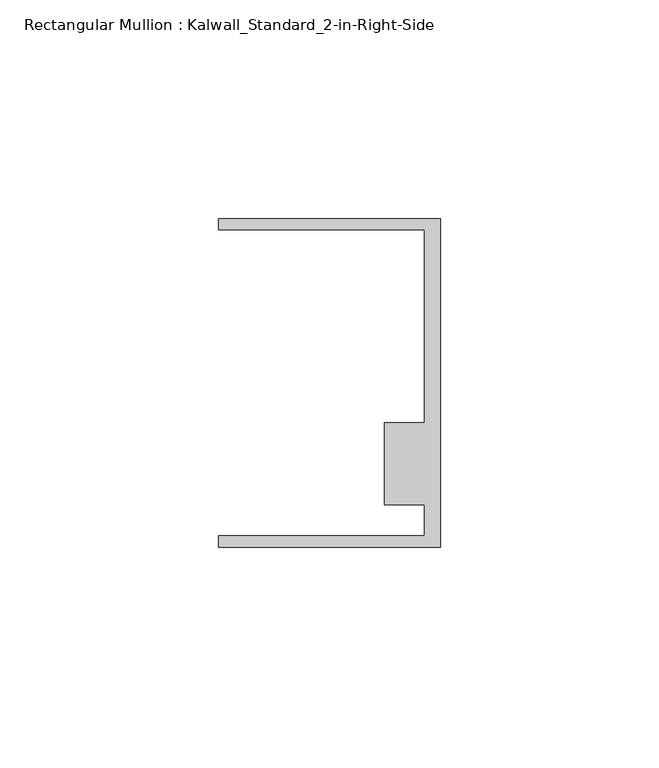
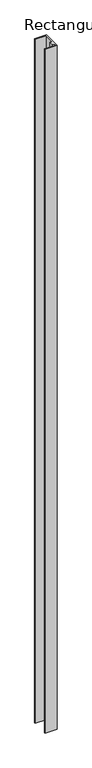
"""IFC4 building model written with IfcOpenShell, lengths in millimetres: member geometry, Rectangular Mullion : Kalwall_Standard_2-in-Right-Side."""

import ifcopenshell
import ifcopenshell.guid

model = None  # the IFC model being written
_history = None  # IfcOwnerHistory: only IFC2X3 demands one
_inside = {}  # id of a spatial element -> (the spatial element, [elements in it])
_under = {}  # id of a project, library or spatial element -> (it, [spatial elements below it])
_declared = {}  # id of a project -> (the project, [libraries it declares])
_typed = {}  # id of a type object -> (the type object, [elements of that type])
_made_of = {}  # id of a material, layer set ... -> (it, [elements and type objects made of it])


def new_model(schema):
    """Start an empty IFC model of exactly this schema.

    Asked for "IFC4X3", IfcOpenShell would pick the latest addendum, in which some entities
    have other attributes; the version numbers below select the first issue.
    IFC2X3 requires an IfcOwnerHistory on every rooted entity: one is made here for all.
    """
    global model, _history
    if schema == "IFC4X3":
        model = ifcopenshell.file(schema_version=(4, 3, 0, 0))
    else:
        model = ifcopenshell.file(schema=schema)
    _inside.clear()
    _under.clear()
    _declared.clear()
    _typed.clear()
    _made_of.clear()
    _history = None
    if model.schema == "IFC2X3":
        org = make("IfcOrganization", Name="unknown")
        user = make(
            "IfcPersonAndOrganization",
            ThePerson=make("IfcPerson", FamilyName="unknown"),
            TheOrganization=org,
        )
        app = make(
            "IfcApplication",
            ApplicationDeveloper=org,
            Version="unknown",
            ApplicationFullName="unknown",
            ApplicationIdentifier="unknown",
        )
        _history = make(
            "IfcOwnerHistory",
            OwningUser=user,
            OwningApplication=app,
            ChangeAction="ADDED",
            CreationDate=0,
        )
    return model


def make(cls, **values):
    """One entity of the class cls with the attributes given. An attribute that is None is left unset."""
    return model.create_entity(
        cls, **{name: value for name, value in values.items() if value is not None}
    )


def rooted(cls, **values):
    """An entity with a GlobalId (a new one), such as an element, a storey or a relation."""
    return make(cls, GlobalId=ifcopenshell.guid.new(), OwnerHistory=_history, **values)


def si_unit(unit_type, name, prefix=None):
    """IfcSIUnit, for example si_unit("LENGTHUNIT", "METRE", prefix="MILLI")."""
    return make("IfcSIUnit", UnitType=unit_type, Prefix=prefix, Name=name)


def assignment(units):
    """IfcUnitAssignment: the units of a project."""
    return None if units is None else make("IfcUnitAssignment", Units=units)


def point(xyz):
    """IfcCartesianPoint."""
    return None if xyz is None else make("IfcCartesianPoint", Coordinates=xyz)


def direction(xyz):
    """IfcDirection."""
    return None if xyz is None else make("IfcDirection", DirectionRatios=xyz)


def frame(location, z_axis=None, x_axis=None):
    """IfcAxis2Placement3D, a coordinate frame: its origin and axes. An axis left out is left unset."""
    return make(
        "IfcAxis2Placement3D",
        Location=point(location),
        Axis=direction(z_axis),
        RefDirection=direction(x_axis),
    )


def origin():
    """The frame at (0, 0, 0) with its axes left unset."""
    return frame((0.0, 0.0, 0.0))


def place(relative_to, where):
    """IfcLocalPlacement: puts the frame where relative to a parent placement (None: the world)."""
    return make(
        "IfcLocalPlacement", PlacementRelTo=relative_to, RelativePlacement=where
    )


def context(
    kind, dimensions, precision=None, world=None, true_north=None, identifier=None
):
    """IfcGeometricRepresentationContext, for example the 3D "Model" context."""
    return make(
        "IfcGeometricRepresentationContext",
        ContextIdentifier=identifier,
        ContextType=kind,
        CoordinateSpaceDimension=dimensions,
        Precision=precision,
        WorldCoordinateSystem=world,
        TrueNorth=true_north,
    )


def project(units=None, contexts=None):
    """IfcProject with its units and contexts."""
    return rooted(
        "IfcProject",
        Name="project",
        RepresentationContexts=contexts,
        UnitsInContext=assignment(units),
    )


def spatial(cls, under=None, at=None, **own):
    """A site, building, storey or space (cls), placed at a placement, below another one or the project."""
    s = rooted(cls, ObjectPlacement=at, **own)
    if under is not None:
        _under.setdefault(under.id(), (under, []))[1].append(s)
    return s


def polyline(points):
    """IfcPolyline through the points."""
    return make("IfcPolyline", Points=[point(p) for p in points])


def outline(outer, holes=None, kind="AREA"):
    """IfcArbitraryClosedProfileDef: a profile drawn as a closed curve; with holes, ...WithVoids."""
    if holes is None:
        return make("IfcArbitraryClosedProfileDef", ProfileType=kind, OuterCurve=outer)
    return make(
        "IfcArbitraryProfileDefWithVoids",
        ProfileType=kind,
        OuterCurve=outer,
        InnerCurves=holes,
    )


def extrude(swept, where, along, depth):
    """IfcExtrudedAreaSolid: the profile swept, set in the frame where, extruded along a direction by depth."""
    return make(
        "IfcExtrudedAreaSolid",
        SweptArea=swept,
        Position=where,
        ExtrudedDirection=direction(along),
        Depth=depth,
    )


def shape(context_of_items, identifier, shape_type, items):
    """IfcShapeRepresentation: the items that make up one representation, for example the "Body"."""
    return make(
        "IfcShapeRepresentation",
        ContextOfItems=context_of_items,
        RepresentationIdentifier=identifier,
        RepresentationType=shape_type,
        Items=items,
    )


def source(mapping_origin, context_of_items, identifier, shape_type, items):
    """IfcRepresentationMap: a shape defined once, which mapped items show again and again."""
    return make(
        "IfcRepresentationMap",
        MappingOrigin=mapping_origin,
        MappedRepresentation=shape(context_of_items, identifier, shape_type, items),
    )


def transform(
    local_origin,
    x_axis=None,
    y_axis=None,
    z_axis=None,
    scale=None,
    scale2=None,
    scale3=None,
    uniform=True,
):
    """IfcCartesianTransformationOperator3D, or its non-uniform kind. x_axis, y_axis, z_axis: its Axis1, 2, 3."""
    if uniform:
        return make(
            "IfcCartesianTransformationOperator3D",
            Axis1=direction(x_axis),
            Axis2=direction(y_axis),
            LocalOrigin=point(local_origin),
            Scale=scale,
            Axis3=direction(z_axis),
        )
    return make(
        "IfcCartesianTransformationOperator3DnonUniform",
        Axis1=direction(x_axis),
        Axis2=direction(y_axis),
        LocalOrigin=point(local_origin),
        Scale=scale,
        Axis3=direction(z_axis),
        Scale2=scale2,
        Scale3=scale3,
    )


def mapped(mapping_source, mapping_target):
    """IfcMappedItem: shows the shape of a source again, moved by a transform."""
    return make(
        "IfcMappedItem", MappingSource=mapping_source, MappingTarget=mapping_target
    )


def made_of(thing, what):
    """Note that an element or type object is made of a material, layer set ...; save() writes the relation."""
    if what is not None:
        _made_of.setdefault(what.id(), (what, []))[1].append(thing)
    return thing


def element(
    cls,
    number,
    at=None,
    inside=None,
    cuts=None,
    type_object=None,
    material=None,
    context=None,
    identifier="Body",
    shape_type=None,
    held_by="IfcProductDefinitionShape",
    body=None,
    shapes=None,
    **own,
):
    """One element of the class cls, such as IfcWall. Its Tag is "e" and its number.

    at: its placement. inside: the storey or other place that contains it. cuts: it is an
    opening in that element (IfcRelVoidsElement). A single representation is given by context,
    identifier, shape_type and body (its items); several are given by shapes. held_by: the class
    of the entity that holds the representations. save() writes the other relations.
    """
    e = rooted(cls, Tag="e%d" % number, ObjectPlacement=at, **own)
    if body is not None:
        shapes = [shape(context, identifier, shape_type, body)]
    if shapes is not None:
        e.Representation = make(held_by, Representations=shapes)
    if inside is not None:
        _inside.setdefault(inside.id(), (inside, []))[1].append(e)
    if cuts is not None:
        rooted(
            "IfcRelVoidsElement", RelatingBuildingElement=cuts, RelatedOpeningElement=e
        )
    if type_object is not None:
        _typed.setdefault(type_object.id(), (type_object, []))[1].append(e)
    return made_of(e, material)


def aggregate(whole, parts):
    """IfcRelAggregates: a whole, such as a stair, and the parts it consists of."""
    return rooted("IfcRelAggregates", RelatingObject=whole, RelatedObjects=parts)


def save(model, path):
    """Write the relations noted so far, then the file.

    IfcRelAggregates (storeys below a building ...), IfcRelContainedInSpatialStructure (elements
    in a storey), IfcRelDefinesByType, IfcRelAssociatesMaterial and IfcRelDeclares: one each for
    every whole, place, type object, material and project.
    """
    for whole, parts in _under.values():
        aggregate(whole, parts)
    for where, things in _inside.values():
        rooted(
            "IfcRelContainedInSpatialStructure",
            RelatedElements=things,
            RelatingStructure=where,
        )
    for kind, things in _typed.values():
        rooted("IfcRelDefinesByType", RelatedObjects=things, RelatingType=kind)
    for what, things in _made_of.values():
        rooted("IfcRelAssociatesMaterial", RelatedObjects=things, RelatingMaterial=what)
    for by, libraries in _declared.values():
        rooted("IfcRelDeclares", RelatingContext=by, RelatedDefinitions=libraries)
    model.write(path)


def rectangular_mullion_kalwall_standard_2_in_right_side_eaa165a5(model_context):
    return source(origin(), model_context, "Body", "SweptSolid", [
        extrude(outline(polyline([(0.0, -37.5776386), (-50.8, -37.5776386), (-50.8, -35.0376386), (-3.7084, -35.0376386), (-3.7084, -27.8888568), (-12.8272539, -27.8888568), (-12.8272539, -9.1879886), (-3.7084, -9.1879886), (-3.7084, 34.9623614), (-50.8, 34.9623614), (-50.8, 37.5023614), (0.0, 37.5023614), (0.0, -37.5776386)])), frame((0.0, 0.0, -3048.0), z_axis=(0.0, 0.0, 1.0), x_axis=(1.0, 0.0, 0.0)), (0.0, 0.0, 1.0), 3048.0),
    ])


if __name__ == "__main__":
    model = new_model("IFC4")
    model_context = context("Model", 3, world=origin())
    ifc_project = project(units=[si_unit("LENGTHUNIT", "METRE", prefix="MILLI")], contexts=[model_context])
    site = spatial("IfcSite", under=ifc_project)
    building = spatial("IfcBuilding", under=site)
    placement = place(None, origin())
    rectangular_mullion_kalwall_standard_2_in_right_side_shape = rectangular_mullion_kalwall_standard_2_in_right_side_eaa165a5(model_context)
    element("IfcMember", 1, ObjectType="Rectangular Mullion : Kalwall_Standard_2-in-Right-Side", at=placement, inside=building, context=model_context, shape_type="MappedRepresentation", body=[
        mapped(rectangular_mullion_kalwall_standard_2_in_right_side_shape, transform((0.0, 0.0, 0.0), x_axis=(1.0, 0.0, 0.0), y_axis=(0.0, 1.0, 0.0), z_axis=(0.0, 0.0, 1.0))),
    ])
    save(model, "model.ifc")
